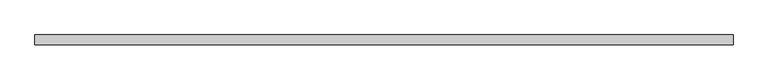
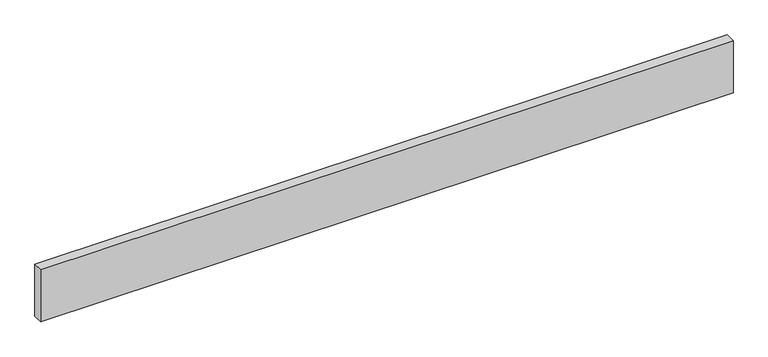
"""IFC4 building model written with IfcOpenShell, lengths in millimetres: beam geometry."""

from ifc_helpers import new_model, si_unit, frame, origin, place, context, project, spatial, polyline, outline, extrude, source, transform, mapped, element, save


def beam_8873c2cc(model_context):
    return source(origin(), model_context, "Body", "SweptSolid", [
        extrude(outline(polyline([(1259.0, -18.0), (-1259.0, -18.0), (-1259.0, 18.0), (1259.0, 18.0), (1259.0, -18.0)])), frame((0.0, 0.0, -100.0), z_axis=(0.0, 0.0, 1.0), x_axis=(1.0, 0.0, 0.0)), (0.0, 0.0, 1.0), 200.0),
    ])


if __name__ == "__main__":
    model = new_model("IFC4")
    model_context = context("Model", 3, world=origin())
    ifc_project = project(units=[si_unit("LENGTHUNIT", "METRE", prefix="MILLI")], contexts=[model_context])
    site = spatial("IfcSite", under=ifc_project)
    building = spatial("IfcBuilding", under=site)
    placement = place(None, origin())
    beam_shape = beam_8873c2cc(model_context)
    element("IfcBeam", 1, at=placement, inside=building, context=model_context, shape_type="MappedRepresentation", body=[
        mapped(beam_shape, transform((0.0, 0.0, 0.0), x_axis=(1.0, 0.0, 0.0), y_axis=(0.0, 1.0, 0.0), z_axis=(0.0, 0.0, 1.0))),
    ])
    save(model, "model.ifc")
